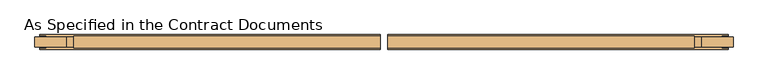
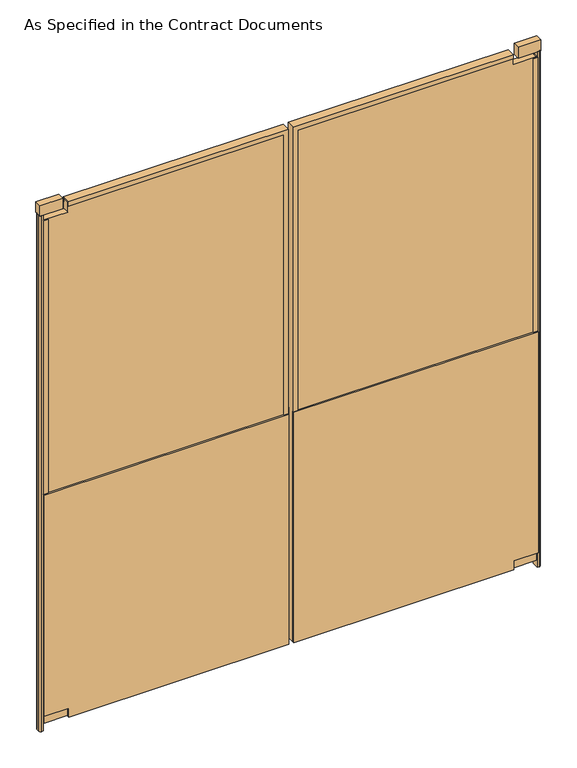
"""IFC4 building model written with IfcOpenShell, lengths in millimetres: door geometry, As Specified in the Contract Documents."""

from ifc_helpers import new_model, si_unit, point, frame, frame_2d, origin, origin_with_axes, place, context, project, spatial, polyline, circle_curve, trimmed, segment, composite_curve, outline, extrude, faceted_brep, source, transform, mapped, element, save


def as_specified_in_the_contract_documents_da5dc442(model_context):
    return source(origin(), model_context, "Body", "SolidModel", [
        extrude(outline(polyline([(25.4, -790.575), (25.4, 12.7), (914.4, 12.7), (914.4, -879.475), (60.325, -879.475), (60.325, -790.575), (25.4, -790.575)])), frame((0.0, -4.7625, 0.0), z_axis=(0.0, 1.0, 0.0), x_axis=(0.0, 0.0, 1.0)), (0.0, 0.0, 1.0), 6.35),
        extrude(outline(polyline([(25.4, -790.575), (25.4, 12.7), (914.4, 12.7), (914.4, -879.475), (60.325, -879.475), (60.325, -790.575), (25.4, -790.575)])), frame((0.0, -36.5125, 0.0), z_axis=(0.0, 1.0, 0.0), x_axis=(0.0, 0.0, 1.0)), (0.0, 0.0, 1.0), 6.35),
        extrude(outline(polyline([(-876.3, -30.1625), (-863.6, -30.1625), (-863.6, -33.3375), (-879.475, -33.3375), (-879.475, -1.5875), (-863.6, -1.5875), (-863.6, -4.7625), (-876.3, -4.7625), (-876.3, -30.1625)])), frame((0.0, 0.0, 60.325), z_axis=(0.0, 0.0, 1.0), x_axis=(1.0, 0.0, 0.0)), (0.0, 0.0, 1.0), 1911.35),
        faceted_brep([(-790.575, -30.1625, 28.575), (-790.575, -4.7625, 28.575), (-790.575, -4.7625, 41.275), (-790.575, -1.5875, 41.275), (-790.575, -1.5875, 25.4), (-790.575, -33.3375, 25.4), (-790.575, -33.3375, 41.275), (-790.575, -30.1625, 41.275), (-3.175, -30.1625, 41.275), (-3.175, -30.1625, 1997.075), (-790.575, -30.1625, 1997.075), (-790.575, -30.1625, 2009.775), (9.525, -30.1625, 2009.775), (9.525, -30.1625, 28.575), (-3.175, -33.3375, 41.275), (12.7, -33.3375, 25.4), (12.7, -33.3375, 2012.95), (-790.575, -33.3375, 2012.95), (-790.575, -33.3375, 1997.075), (-3.175, -33.3375, 1997.075), (12.7, -1.5875, 25.4), (-3.175, -1.5875, 41.275), (-3.175, -1.5875, 1997.075), (-790.575, -1.5875, 1997.075), (-790.575, -1.5875, 2012.95), (12.7, -1.5875, 2012.95), (-3.175, -4.7625, 41.275), (9.525, -4.7625, 28.575), (9.525, -4.7625, 2009.775), (-790.575, -4.7625, 2009.775), (-790.575, -4.7625, 1997.075), (-3.175, -4.7625, 1997.075)], [[[0, 1, 2, 3, 4, 5, 6, 7]], [[7, 8, 9, 10, 11, 12, 13, 0]], [[6, 14, 8, 7]], [[5, 15, 16, 17, 18, 19, 14, 6]], [[4, 20, 15, 5]], [[3, 21, 22, 23, 24, 25, 20, 4]], [[2, 26, 21, 3]], [[1, 27, 28, 29, 30, 31, 26, 2]], [[0, 13, 27, 1]], [[14, 19, 9, 8]], [[20, 25, 16, 15]], [[26, 31, 22, 21]], [[13, 12, 28, 27]], [[11, 10, 18, 17, 24, 23, 30, 29]], [[19, 18, 10, 9]], [[25, 24, 17, 16]], [[31, 30, 23, 22]], [[12, 11, 29, 28]]]),
        extrude(outline(composite_curve([segment(polyline([(-879.475, -4.7625), (-879.475, -30.1625), (-885.825, -30.1625)]), True, "CONTINUOUS"), segment(trimmed(circle_curve(frame_2d((-885.825, -23.8125)), 6.35), [point((-885.825, -30.1625))], [point((-892.175, -23.8125))], False, "CARTESIAN"), True, "CONTINUOUS"), segment(polyline([(-892.175, -23.8125), (-892.175, -11.1125)]), True, "CONTINUOUS"), segment(trimmed(circle_curve(frame_2d((-885.825, -11.1125)), 6.35), [point((-892.175, -11.1125))], [point((-885.825, -4.7625))], False, "CARTESIAN"), True, "CONTINUOUS"), segment(polyline([(-885.825, -4.7625), (-879.475, -4.7625)]), True, "CONTINUOUS")], self_intersect=False)), origin_with_axes(), (0.0, 0.0, 1.0), 1990.725),
        extrude(outline(polyline([(-892.175, -4.7625), (-809.625, -4.7625), (-809.625, -30.1625), (-892.175, -30.1625), (-892.175, -4.7625)])), frame((0.0, 0.0, 1990.725), z_axis=(0.0, 0.0, 1.0), x_axis=(1.0, 0.0, 0.0)), (0.0, 0.0, 1.0), 41.275),
        extrude(outline(polyline([(-876.3, -4.7625), (-790.575, -4.7625), (-790.575, -30.1625), (-876.3, -30.1625), (-876.3, -4.7625)])), frame((0.0, 0.0, 28.575), z_axis=(0.0, 0.0, 1.0), x_axis=(1.0, 0.0, 0.0)), (0.0, 0.0, 1.0), 31.75),
        extrude(outline(polyline([(2009.775, -790.575), (1971.675, -790.575), (1971.675, -876.3), (60.325, -876.3), (60.325, -790.575), (28.575, -790.575), (28.575, 9.525), (2009.775, 9.525), (2009.775, -790.575)])), frame((0.0, -30.1625, 0.0), z_axis=(0.0, 1.0, 0.0), x_axis=(0.0, 0.0, 1.0)), (0.0, 0.0, 1.0), 25.4),
        extrude(outline(polyline([(25.4, 835.025), (60.325, 835.025), (60.325, 923.925), (914.4, 923.925), (914.4, 31.75), (25.4, 31.75), (25.4, 835.025)])), frame((0.0, -4.7625, 0.0), z_axis=(0.0, 1.0, 0.0), x_axis=(0.0, 0.0, 1.0)), (0.0, 0.0, 1.0), 6.35),
        extrude(outline(polyline([(25.4, 835.025), (60.325, 835.025), (60.325, 923.925), (914.4, 923.925), (914.4, 31.75), (25.4, 31.75), (25.4, 835.025)])), frame((0.0, -36.5125, 0.0), z_axis=(0.0, 1.0, 0.0), x_axis=(0.0, 0.0, 1.0)), (0.0, 0.0, 1.0), 6.35),
        extrude(outline(polyline([(920.75, -30.1625), (920.75, -4.7625), (908.05, -4.7625), (908.05, -1.5875), (923.925, -1.5875), (923.925, -33.3375), (908.05, -33.3375), (908.05, -30.1625), (920.75, -30.1625)])), frame((0.0, 0.0, 60.325), z_axis=(0.0, 0.0, 1.0), x_axis=(1.0, 0.0, 0.0)), (0.0, 0.0, 1.0), 1911.35),
        faceted_brep([(835.025, -30.1625, 28.575), (835.025, -30.1625, 41.275), (835.025, -33.3375, 41.275), (835.025, -33.3375, 25.4), (835.025, -1.5875, 25.4), (835.025, -1.5875, 41.275), (835.025, -4.7625, 41.275), (835.025, -4.7625, 28.575), (34.925, -30.1625, 28.575), (34.925, -30.1625, 2009.775), (835.025, -30.1625, 2009.775), (835.025, -30.1625, 1997.075), (47.625, -30.1625, 1997.075), (47.625, -30.1625, 41.275), (47.625, -33.3375, 41.275), (47.625, -33.3375, 1997.075), (835.025, -33.3375, 1997.075), (835.025, -33.3375, 2012.95), (31.75, -33.3375, 2012.95), (31.75, -33.3375, 25.4), (31.75, -1.5875, 25.4), (31.75, -1.5875, 2012.95), (835.025, -1.5875, 2012.95), (835.025, -1.5875, 1997.075), (47.625, -1.5875, 1997.075), (47.625, -1.5875, 41.275), (47.625, -4.7625, 41.275), (47.625, -4.7625, 1997.075), (835.025, -4.7625, 1997.075), (835.025, -4.7625, 2009.775), (34.925, -4.7625, 2009.775), (34.925, -4.7625, 28.575)], [[[0, 1, 2, 3, 4, 5, 6, 7]], [[1, 0, 8, 9, 10, 11, 12, 13]], [[2, 1, 13, 14]], [[3, 2, 14, 15, 16, 17, 18, 19]], [[4, 3, 19, 20]], [[5, 4, 20, 21, 22, 23, 24, 25]], [[6, 5, 25, 26]], [[7, 6, 26, 27, 28, 29, 30, 31]], [[0, 7, 31, 8]], [[14, 13, 12, 15]], [[20, 19, 18, 21]], [[26, 25, 24, 27]], [[8, 31, 30, 9]], [[10, 29, 28, 23, 22, 17, 16, 11]], [[15, 12, 11, 16]], [[21, 18, 17, 22]], [[27, 24, 23, 28]], [[9, 30, 29, 10]]]),
        extrude(outline(composite_curve([segment(polyline([(923.925, -4.7625), (930.275, -4.7625)]), True, "CONTINUOUS"), segment(trimmed(circle_curve(frame_2d((930.275, -11.1125)), 6.35), [point((930.275, -4.7625))], [point((936.625, -11.1125))], False, "CARTESIAN"), True, "CONTINUOUS"), segment(polyline([(936.625, -11.1125), (936.625, -23.8125)]), True, "CONTINUOUS"), segment(trimmed(circle_curve(frame_2d((930.275, -23.8125)), 6.35), [point((936.625, -23.8125))], [point((930.275, -30.1625))], False, "CARTESIAN"), True, "CONTINUOUS"), segment(polyline([(930.275, -30.1625), (923.925, -30.1625), (923.925, -4.7625)]), True, "CONTINUOUS")], self_intersect=False)), origin_with_axes(), (0.0, 0.0, 1.0), 1990.725),
        extrude(outline(polyline([(936.625, -4.7625), (936.625, -30.1625), (854.075, -30.1625), (854.075, -4.7625), (936.625, -4.7625)])), frame((0.0, 0.0, 1990.725), z_axis=(0.0, 0.0, 1.0), x_axis=(1.0, 0.0, 0.0)), (0.0, 0.0, 1.0), 41.275),
        extrude(outline(polyline([(920.75, -4.7625), (920.75, -30.1625), (835.025, -30.1625), (835.025, -4.7625), (920.75, -4.7625)])), frame((0.0, 0.0, 28.575), z_axis=(0.0, 0.0, 1.0), x_axis=(1.0, 0.0, 0.0)), (0.0, 0.0, 1.0), 31.75),
        extrude(outline(polyline([(2009.775, 835.025), (2009.775, 34.925), (28.575, 34.925), (28.575, 835.025), (60.325, 835.025), (60.325, 920.75), (1971.675, 920.75), (1971.675, 835.025), (2009.775, 835.025)])), frame((0.0, -30.1625, 0.0), z_axis=(0.0, 1.0, 0.0), x_axis=(0.0, 0.0, 1.0)), (0.0, 0.0, 1.0), 25.4),
    ])


if __name__ == "__main__":
    model = new_model("IFC4")
    model_context = context("Model", 3, world=origin())
    ifc_project = project(units=[si_unit("LENGTHUNIT", "METRE", prefix="MILLI")], contexts=[model_context])
    site = spatial("IfcSite", under=ifc_project)
    building = spatial("IfcBuilding", under=site)
    placement = place(None, origin())
    as_specified_in_the_contract_documents_shape = as_specified_in_the_contract_documents_da5dc442(model_context)
    element("IfcDoor", 1, ObjectType="As Specified in the Contract Documents", at=placement, inside=building, context=model_context, shape_type="MappedRepresentation", body=[
        mapped(as_specified_in_the_contract_documents_shape, transform((0.0, 0.0, 0.0), x_axis=(1.0, 0.0, 0.0), y_axis=(0.0, 1.0, 0.0), z_axis=(0.0, 0.0, 1.0))),
    ])
    save(model, "model.ifc")
